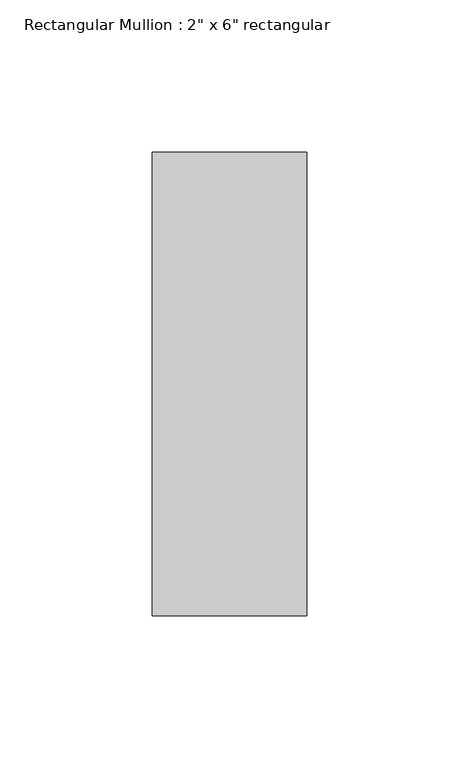
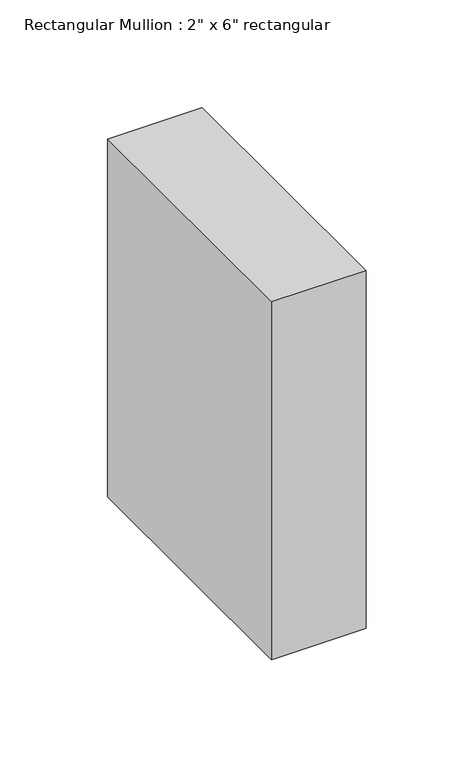
"""IFC4 building model written with IfcOpenShell, lengths in millimetres: member geometry."""

from ifc_helpers import new_model, si_unit, frame, origin, place, context, project, spatial, polyline, outline, extrude, source, transform, mapped, element, save


def member_a74a8630(model_context):
    return source(origin(), model_context, "Body", "SweptSolid", [
        extrude(outline(polyline([(0.0, 76.2), (0.0, -76.2), (-50.8, -76.2), (-50.8, 76.2), (0.0, 76.2)])), frame((0.0, 0.0, -203.2), z_axis=(0.0, 0.0, 1.0), x_axis=(1.0, 0.0, 0.0)), (0.0, 0.0, 1.0), 203.2),
    ])


if __name__ == "__main__":
    model = new_model("IFC4")
    model_context = context("Model", 3, world=origin())
    ifc_project = project(units=[si_unit("LENGTHUNIT", "METRE", prefix="MILLI")], contexts=[model_context])
    site = spatial("IfcSite", under=ifc_project)
    building = spatial("IfcBuilding", under=site)
    placement = place(None, origin())
    member_shape = member_a74a8630(model_context)
    element("IfcMember", 1, ObjectType="Rectangular Mullion : 2\" x 6\" rectangular", at=placement, inside=building, context=model_context, shape_type="MappedRepresentation", body=[
        mapped(member_shape, transform((0.0, 0.0, 0.0), x_axis=(1.0, 0.0, 0.0), y_axis=(0.0, 1.0, 0.0), z_axis=(0.0, 0.0, 1.0))),
    ])
    save(model, "model.ifc")
